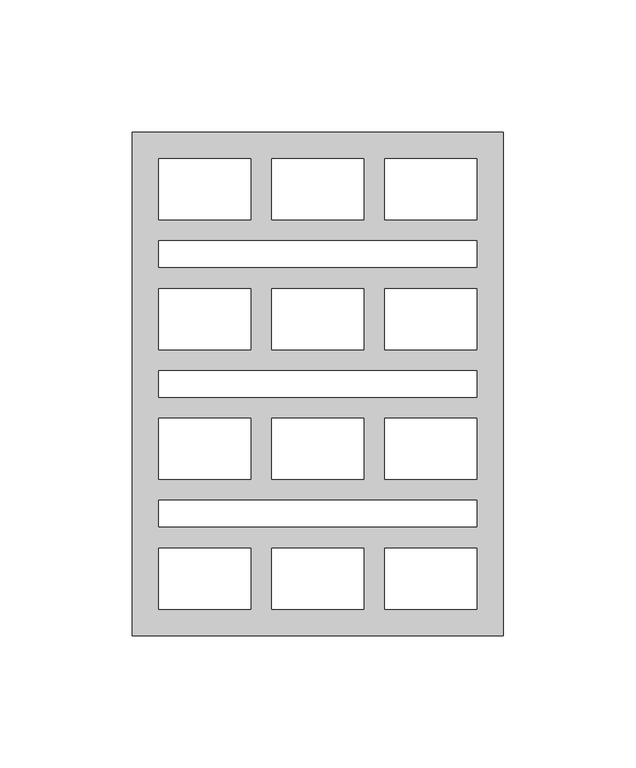
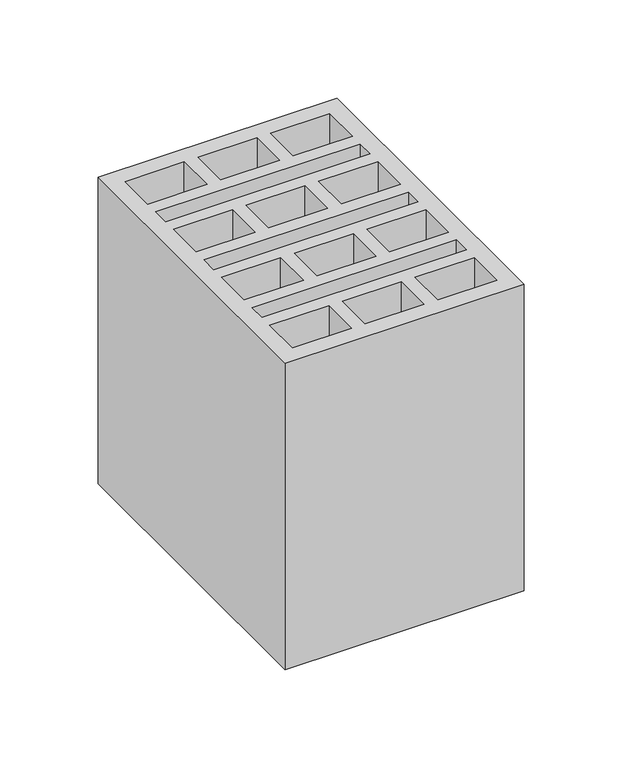
"""IFC4 building model written with IfcOpenShell, lengths in millimetres: proxy geometry."""

from ifc_helpers import new_model, si_unit, origin, origin_with_axes, place, context, project, spatial, polyline, outline, extrude, source, transform, mapped, element, save


def generic_models_dc01f5e1(model_context):
    return source(origin(), model_context, "Body", "SweptSolid", [
        extrude(outline(polyline([(140.0, 0.0), (0.0, 0.0), (0.0, 190.0), (140.0, 190.0), (140.0, 0.0)]), holes=[polyline([(95.3, 10.0), (130.0, 10.0), (130.0, 33.0), (95.3, 33.0), (95.3, 10.0)]), polyline([(44.7, 10.0), (44.7, 33.0), (10.0, 33.0), (10.0, 10.0), (44.7, 10.0)]), polyline([(87.3, 33.0), (52.7, 33.0), (52.7, 10.0), (87.3, 10.0), (87.3, 33.0)]), polyline([(95.3, 180.0), (95.3, 157.0), (130.0, 157.0), (130.0, 180.0), (95.3, 180.0)]), polyline([(44.7, 180.0), (10.0, 180.0), (10.0, 157.0), (44.7, 157.0), (44.7, 180.0)]), polyline([(87.3, 157.0), (87.3, 180.0), (52.7, 180.0), (52.7, 157.0), (87.3, 157.0)]), polyline([(130.0, 51.0), (10.0, 51.0), (10.0, 41.0), (130.0, 41.0), (130.0, 51.0)]), polyline([(130.0, 139.0), (130.0, 149.0), (10.0, 149.0), (10.0, 139.0), (130.0, 139.0)]), polyline([(95.3, 82.0), (95.3, 59.0), (130.0, 59.0), (130.0, 82.0), (95.3, 82.0)]), polyline([(44.7, 82.0), (10.0, 82.0), (10.0, 59.0), (44.7, 59.0), (44.7, 82.0)]), polyline([(87.3, 59.0), (87.3, 82.0), (52.7, 82.0), (52.7, 59.0), (87.3, 59.0)]), polyline([(95.3, 108.0), (130.0, 108.0), (130.0, 131.0), (95.3, 131.0), (95.3, 108.0)]), polyline([(44.7, 108.0), (44.7, 131.0), (10.0, 131.0), (10.0, 108.0), (44.7, 108.0)]), polyline([(87.3, 131.0), (52.7, 131.0), (52.7, 108.0), (87.3, 108.0), (87.3, 131.0)]), polyline([(130.0, 90.0), (130.0, 100.0), (10.0, 100.0), (10.0, 90.0), (130.0, 90.0)])]), origin_with_axes(), (0.0, 0.0, 1.0), 190.0),
    ])


if __name__ == "__main__":
    model = new_model("IFC4")
    model_context = context("Model", 3, world=origin())
    ifc_project = project(units=[si_unit("LENGTHUNIT", "METRE", prefix="MILLI")], contexts=[model_context])
    site = spatial("IfcSite", under=ifc_project)
    building = spatial("IfcBuilding", under=site)
    placement = place(None, origin())
    generic_models_shape = generic_models_dc01f5e1(model_context)
    element("IfcBuildingElementProxy", 1, Name="Generic Models", at=placement, inside=building, context=model_context, shape_type="MappedRepresentation", body=[
        mapped(generic_models_shape, transform((0.0, 0.0, 0.0), x_axis=(1.0, 0.0, 0.0), y_axis=(0.0, 1.0, 0.0), z_axis=(0.0, 0.0, 1.0))),
    ])
    save(model, "model.ifc")
